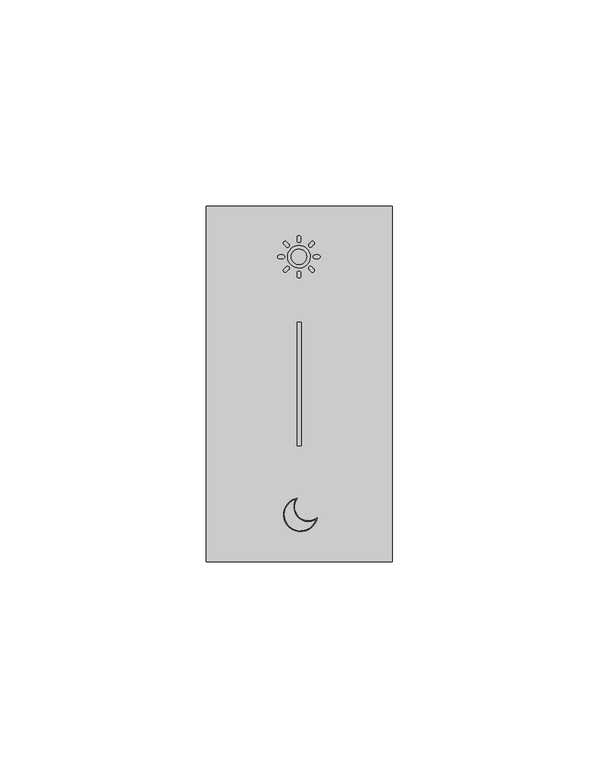
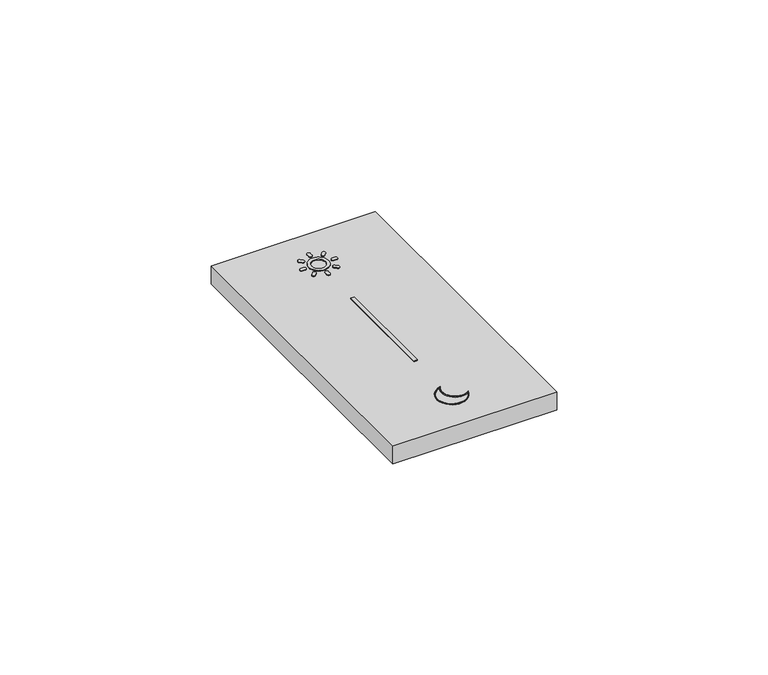
"""IFC4 building model written with IfcOpenShell, lengths in millimetres: proxy geometry."""

from ifc_helpers import new_model, si_unit, point, frame, frame_2d, origin, place, context, project, spatial, polyline, circle_curve, trimmed, segment, composite_curve, outline, extrude, source, transform, mapped, element, save


def electrical_fixtures_cba9325b(model_context):
    return source(origin(), model_context, "Body", "SweptSolid", [
        extrude(outline(composite_curve([segment(trimmed(circle_curve(frame_2d((22.3925534, 77.7126464)), 0.4343474), [point((22.8269008, 77.7126464))], [point((21.958206, 77.7126464))], False, "CARTESIAN"), True, "CONTINUOUS"), segment(polyline([(21.958206, 77.7126464), (21.958206, 78.5117991)]), True, "CONTINUOUS"), segment(trimmed(circle_curve(frame_2d((22.3925534, 78.5117991)), 0.4343474), [point((21.958206, 78.5117991))], [point((22.8269008, 78.5117991))], False, "CARTESIAN"), True, "CONTINUOUS"), segment(polyline([(22.8269008, 78.5117991), (22.8269008, 77.7126464)]), True, "CONTINUOUS")], self_intersect=False)), frame((0.0, 0.0, 10.7), z_axis=(0.0, 0.0, 1.0), x_axis=(1.0, 0.0, 0.0)), (0.0, 0.0, 1.0), 0.2064159),
        extrude(outline(composite_curve([segment(trimmed(circle_curve(frame_2d((22.3925534, 73.8126464)), 2.7343474), [point((24.9184796, 74.8597151))], [point((19.8666272, 72.7655777))], False, "CARTESIAN"), True, "CONTINUOUS"), segment(trimmed(circle_curve(frame_2d((22.3925534, 73.8126464)), 2.7343474), [point((19.8666272, 72.7655777))], [point((24.9184796, 74.8597151))], False, "CARTESIAN"), True, "CONTINUOUS")], self_intersect=False), holes=[composite_curve([segment(trimmed(circle_curve(frame_2d((22.3925534, 73.8126464)), 1.8656526), [point((24.1159995, 74.5270643))], [point((20.6691073, 73.0982284))], True, "CARTESIAN"), True, "CONTINUOUS"), segment(trimmed(circle_curve(frame_2d((22.3925534, 73.8126464)), 1.8656526), [point((20.6691073, 73.0982284))], [point((24.1159995, 74.5270643))], True, "CARTESIAN"), True, "CONTINUOUS")], self_intersect=False)]), frame((0.0, 0.0, 10.7), z_axis=(0.0, 0.0, 1.0), x_axis=(1.0, 0.0, 0.0)), (0.0, 0.0, 1.0), 0.2064159),
        extrude(outline(composite_curve([segment(trimmed(circle_curve(frame_2d((25.1502698, 76.5703628)), 0.4343474), [point((25.4573999, 76.2632328))], [point((24.8431398, 76.8774928))], False, "CARTESIAN"), True, "CONTINUOUS"), segment(polyline([(24.8431398, 76.8774928), (25.4082261, 77.4425791)]), True, "CONTINUOUS"), segment(trimmed(circle_curve(frame_2d((25.7153562, 77.1354491)), 0.4343474), [point((25.4082261, 77.4425791))], [point((26.0224862, 76.8283191))], False, "CARTESIAN"), True, "CONTINUOUS"), segment(polyline([(26.0224862, 76.8283191), (25.4573999, 76.2632328)]), True, "CONTINUOUS")], self_intersect=False)), frame((0.0, 0.0, 10.7), z_axis=(0.0, 0.0, 1.0), x_axis=(1.0, 0.0, 0.0)), (0.0, 0.0, 1.0), 0.2064159),
        extrude(outline(composite_curve([segment(trimmed(circle_curve(frame_2d((26.2925534, 73.8126464)), 0.4343474), [point((26.2925534, 73.378299))], [point((26.2925534, 74.2469938))], False, "CARTESIAN"), True, "CONTINUOUS"), segment(polyline([(26.2925534, 74.2469938), (27.0917061, 74.2469938)]), True, "CONTINUOUS"), segment(trimmed(circle_curve(frame_2d((27.0917061, 73.8126464)), 0.4343474), [point((27.0917061, 74.2469938))], [point((27.0917061, 73.378299))], False, "CARTESIAN"), True, "CONTINUOUS"), segment(polyline([(27.0917061, 73.378299), (26.2925534, 73.378299)]), True, "CONTINUOUS")], self_intersect=False)), frame((0.0, 0.0, 10.7), z_axis=(0.0, 0.0, 1.0), x_axis=(1.0, 0.0, 0.0)), (0.0, 0.0, 1.0), 0.2064159),
        extrude(outline(composite_curve([segment(trimmed(circle_curve(frame_2d((25.1502698, 71.0549299)), 0.4343474), [point((24.8431398, 70.7477999))], [point((25.4573999, 71.3620599))], False, "CARTESIAN"), True, "CONTINUOUS"), segment(polyline([(25.4573999, 71.3620599), (26.0224862, 70.7969736)]), True, "CONTINUOUS"), segment(trimmed(circle_curve(frame_2d((25.7153562, 70.4898436)), 0.4343474), [point((26.0224862, 70.7969736))], [point((25.4082261, 70.1827136))], False, "CARTESIAN"), True, "CONTINUOUS"), segment(polyline([(25.4082261, 70.1827136), (24.8431398, 70.7477999)]), True, "CONTINUOUS")], self_intersect=False)), frame((0.0, 0.0, 10.7), z_axis=(0.0, 0.0, 1.0), x_axis=(1.0, 0.0, 0.0)), (0.0, 0.0, 1.0), 0.2064159),
        extrude(outline(composite_curve([segment(trimmed(circle_curve(frame_2d((22.3925534, 69.9126464)), 0.4343474), [point((21.958206, 69.9126464))], [point((22.8269008, 69.9126464))], False, "CARTESIAN"), True, "CONTINUOUS"), segment(polyline([(22.8269008, 69.9126464), (22.8269008, 69.1134937)]), True, "CONTINUOUS"), segment(trimmed(circle_curve(frame_2d((22.3925534, 69.1134937)), 0.4343474), [point((22.8269008, 69.1134937))], [point((21.958206, 69.1134937))], False, "CARTESIAN"), True, "CONTINUOUS"), segment(polyline([(21.958206, 69.1134937), (21.958206, 69.9126464)]), True, "CONTINUOUS")], self_intersect=False)), frame((0.0, 0.0, 10.7), z_axis=(0.0, 0.0, 1.0), x_axis=(1.0, 0.0, 0.0)), (0.0, 0.0, 1.0), 0.2064159),
        extrude(outline(composite_curve([segment(polyline([(19.3277069, 76.2632328), (18.7626206, 76.8283191)]), True, "CONTINUOUS"), segment(trimmed(circle_curve(frame_2d((19.0697506, 77.1354491)), 0.4343474), [point((18.7626206, 76.8283191))], [point((19.3768807, 77.4425791))], False, "CARTESIAN"), True, "CONTINUOUS"), segment(polyline([(19.3768807, 77.4425791), (19.941967, 76.8774928)]), True, "CONTINUOUS"), segment(trimmed(circle_curve(frame_2d((19.634837, 76.5703628)), 0.4343474), [point((19.941967, 76.8774928))], [point((19.3277069, 76.2632328))], False, "CARTESIAN"), True, "CONTINUOUS")], self_intersect=False)), frame((0.0, 0.0, 10.7), z_axis=(0.0, 0.0, 1.0), x_axis=(1.0, 0.0, 0.0)), (0.0, 0.0, 1.0), 0.2064159),
        extrude(outline(composite_curve([segment(polyline([(18.4925534, 73.378299), (17.6934007, 73.378299)]), True, "CONTINUOUS"), segment(trimmed(circle_curve(frame_2d((17.6934007, 73.8126464)), 0.4343474), [point((17.6934007, 73.378299))], [point((17.6934007, 74.2469938))], False, "CARTESIAN"), True, "CONTINUOUS"), segment(polyline([(17.6934007, 74.2469938), (18.4925534, 74.2469938)]), True, "CONTINUOUS"), segment(trimmed(circle_curve(frame_2d((18.4925534, 73.8126464)), 0.4343474), [point((18.4925534, 74.2469938))], [point((18.4925534, 73.378299))], False, "CARTESIAN"), True, "CONTINUOUS")], self_intersect=False)), frame((0.0, 0.0, 10.7), z_axis=(0.0, 0.0, 1.0), x_axis=(1.0, 0.0, 0.0)), (0.0, 0.0, 1.0), 0.2064159),
        extrude(outline(composite_curve([segment(polyline([(19.941967, 70.7477999), (19.3768807, 70.1827136)]), True, "CONTINUOUS"), segment(trimmed(circle_curve(frame_2d((19.0697506, 70.4898436)), 0.4343474), [point((19.3768807, 70.1827136))], [point((18.7626206, 70.7969736))], False, "CARTESIAN"), True, "CONTINUOUS"), segment(polyline([(18.7626206, 70.7969736), (19.3277069, 71.3620599)]), True, "CONTINUOUS"), segment(trimmed(circle_curve(frame_2d((19.634837, 71.0549299)), 0.4343474), [point((19.3277069, 71.3620599))], [point((19.941967, 70.7477999))], False, "CARTESIAN"), True, "CONTINUOUS")], self_intersect=False)), frame((0.0, 0.0, 10.7), z_axis=(0.0, 0.0, 1.0), x_axis=(1.0, 0.0, 0.0)), (0.0, 0.0, 1.0), 0.2064159),
        extrude(outline(composite_curve([segment(trimmed(circle_curve(frame_2d((22.7670137, 11.3508216)), 4.0952978), [point((26.7841028, 10.554292))], [point((21.9704841, 15.3679107))], False, "CARTESIAN"), True, "CONTINUOUS"), segment(trimmed(circle_curve(frame_2d((24.7075794, 13.2913873)), 3.4356426), [point((21.9704841, 15.3679107))], [point((26.7841028, 10.554292))], True, "CARTESIAN"), True, "CONTINUOUS")], self_intersect=False), holes=[composite_curve([segment(trimmed(circle_curve(frame_2d((24.7075794, 13.2913873)), 3.6356426), [point((26.4575937, 10.1046418))], [point((21.5208339, 15.0414016))], False, "CARTESIAN"), True, "CONTINUOUS"), segment(trimmed(circle_curve(frame_2d((22.7670137, 11.3508216)), 3.8952978), [point((21.5208339, 15.0414016))], [point((26.4575937, 10.1046418))], True, "CARTESIAN"), True, "CONTINUOUS")], self_intersect=False)]), frame((0.0, 0.0, 10.7), z_axis=(0.0, 0.0, 1.0), x_axis=(1.0, 0.0, 0.0)), (0.0, 0.0, 1.0), 0.2064159),
        extrude(outline(polyline([(22.0, 58.0), (23.0, 58.0), (23.0, 28.0), (22.0, 28.0), (22.0, 58.0)])), frame((0.0, 0.0, 5.5), z_axis=(0.0, 0.0, 1.0), x_axis=(1.0, 0.0, 0.0)), (0.0, 0.0, 1.0), 5.2),
        extrude(outline(polyline([(0.0, 0.0), (0.0, 86.0), (45.0, 86.0), (45.0, 0.0), (0.0, 0.0)]), holes=[polyline([(22.0, 58.0), (22.0, 28.0), (23.0, 28.0), (23.0, 58.0), (22.0, 58.0)])]), frame((0.0, 0.0, 5.5), z_axis=(0.0, 0.0, 1.0), x_axis=(1.0, 0.0, 0.0)), (0.0, 0.0, 1.0), 5.2),
    ])


if __name__ == "__main__":
    model = new_model("IFC4")
    model_context = context("Model", 3, world=origin())
    ifc_project = project(units=[si_unit("LENGTHUNIT", "METRE", prefix="MILLI")], contexts=[model_context])
    site = spatial("IfcSite", under=ifc_project)
    building = spatial("IfcBuilding", under=site)
    placement = place(None, origin())
    electrical_fixtures_shape = electrical_fixtures_cba9325b(model_context)
    element("IfcBuildingElementProxy", 1, Name="Electrical Fixtures", at=placement, inside=building, context=model_context, shape_type="MappedRepresentation", body=[
        mapped(electrical_fixtures_shape, transform((0.0, 0.0, 0.0), x_axis=(1.0, 0.0, 0.0), y_axis=(0.0, 1.0, 0.0), z_axis=(0.0, 0.0, 1.0))),
    ])
    save(model, "model.ifc")
